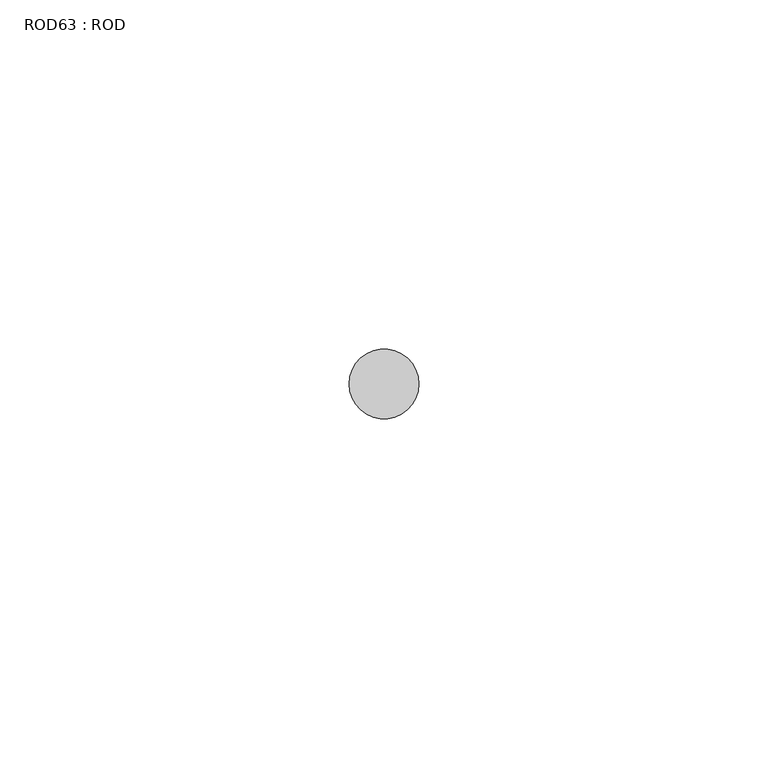
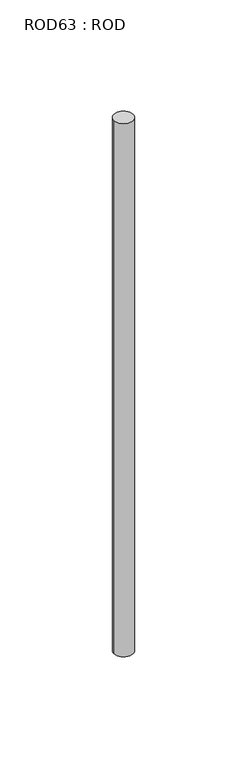
"""IFC4 building model written with IfcOpenShell, lengths in millimetres: proxy geometry, ROD63 : ROD."""

from ifc_helpers import new_model, si_unit, point, frame, frame_2d, origin, place, context, project, spatial, circle_curve, trimmed, segment, composite_curve, outline, extrude, source, transform, mapped, element, save


def rod63_rod_0d8d3f27(model_context):
    return source(origin(), model_context, "Body", "SweptSolid", [
        extrude(outline(composite_curve([segment(trimmed(circle_curve(frame_2d((-5000.2326676, -10466.6028424)), 5.0), [point((-5005.2326676, -10466.6028424))], [point((-4995.2326676, -10466.6028424))], False, "CARTESIAN"), True, "CONTINUOUS"), segment(trimmed(circle_curve(frame_2d((-5000.2326676, -10466.6028424)), 5.0), [point((-4995.2326676, -10466.6028424))], [point((-5005.2326676, -10466.6028424))], False, "CARTESIAN"), True, "CONTINUOUS")], self_intersect=False)), frame((0.0, 0.0, -108.6608845), z_axis=(0.0, 0.0, 1.0), x_axis=(1.0, 0.0, 0.0)), (0.0, 0.0, 1.0), 298.9028972),
    ])


if __name__ == "__main__":
    model = new_model("IFC4")
    model_context = context("Model", 3, world=origin())
    ifc_project = project(units=[si_unit("LENGTHUNIT", "METRE", prefix="MILLI")], contexts=[model_context])
    site = spatial("IfcSite", under=ifc_project)
    building = spatial("IfcBuilding", under=site)
    placement = place(None, origin())
    rod63_rod_shape = rod63_rod_0d8d3f27(model_context)
    element("IfcBuildingElementProxy", 1, Name="ROD63 : ROD", ObjectType="ROD63 : ROD", at=placement, inside=building, context=model_context, shape_type="MappedRepresentation", body=[
        mapped(rod63_rod_shape, transform((0.0, 0.0, 0.0), x_axis=(1.0, 0.0, 0.0), y_axis=(0.0, 1.0, 0.0), z_axis=(0.0, 0.0, 1.0))),
    ])
    save(model, "model.ifc")
